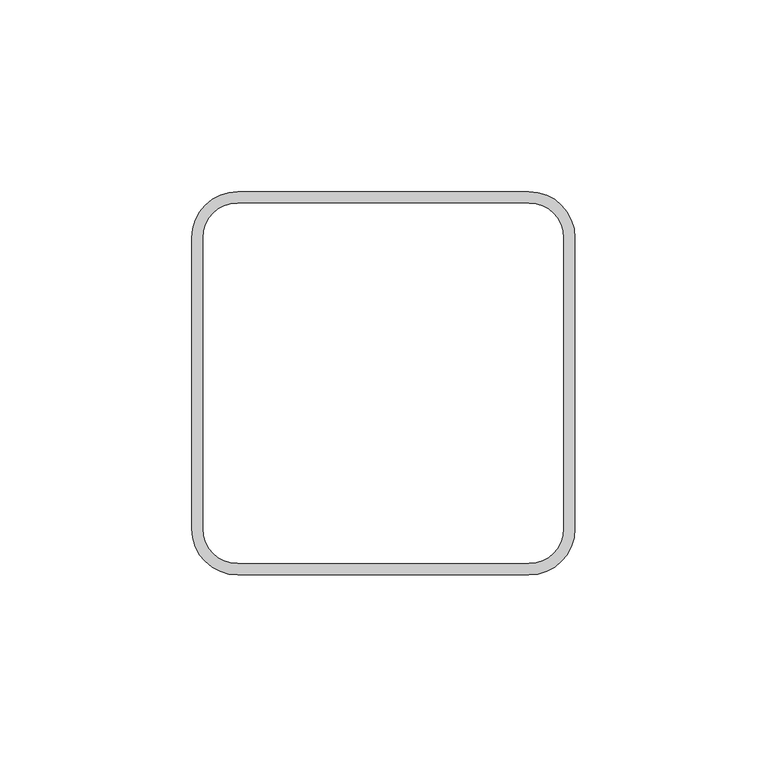
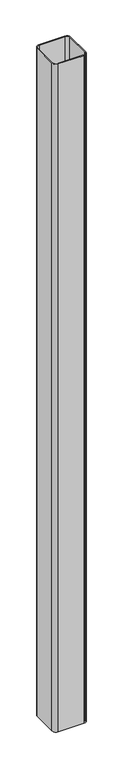
"""IFC4 building model written with IfcOpenShell, lengths in millimetres: column geometry."""

from ifc_helpers import new_model, si_unit, point, frame_2d, origin, origin_with_axes, place, context, project, spatial, polyline, circle_curve, trimmed, segment, composite_curve, outline, extrude, source, transform, mapped, element, save


def column_cc8b894e(model_context):
    return source(origin(), model_context, "Body", "SweptSolid", [
        extrude(outline(composite_curve([segment(polyline([(38.0, -50.0), (-38.0, -50.0)]), True, "CONTINUOUS"), segment(trimmed(circle_curve(frame_2d((-38.0, -38.0)), 12.0), [point((-38.0, -50.0))], [point((-50.0, -38.0))], False, "CARTESIAN"), True, "CONTINUOUS"), segment(polyline([(-50.0, -38.0), (-50.0, 38.0)]), True, "CONTINUOUS"), segment(trimmed(circle_curve(frame_2d((-38.0, 38.0)), 12.0), [point((-50.0, 38.0))], [point((-38.0, 50.0))], False, "CARTESIAN"), True, "CONTINUOUS"), segment(polyline([(-38.0, 50.0), (38.0, 50.0)]), True, "CONTINUOUS"), segment(trimmed(circle_curve(frame_2d((38.0, 38.0)), 12.0), [point((38.0, 50.0))], [point((50.0, 38.0))], False, "CARTESIAN"), True, "CONTINUOUS"), segment(polyline([(50.0, 38.0), (50.0, -38.0)]), True, "CONTINUOUS"), segment(trimmed(circle_curve(frame_2d((38.0, -38.0)), 12.0), [point((50.0, -38.0))], [point((38.0, -50.0))], False, "CARTESIAN"), True, "CONTINUOUS")], self_intersect=False), holes=[composite_curve([segment(trimmed(circle_curve(frame_2d((38.0, -38.0)), 9.0), [point((38.0, -47.0))], [point((47.0, -38.0))], True, "CARTESIAN"), True, "CONTINUOUS"), segment(polyline([(47.0, -38.0), (47.0, 38.0)]), True, "CONTINUOUS"), segment(trimmed(circle_curve(frame_2d((38.0, 38.0)), 9.0), [point((47.0, 38.0))], [point((38.0, 47.0))], True, "CARTESIAN"), True, "CONTINUOUS"), segment(polyline([(38.0, 47.0), (-38.0, 47.0)]), True, "CONTINUOUS"), segment(trimmed(circle_curve(frame_2d((-38.0, 38.0)), 9.0), [point((-38.0, 47.0))], [point((-47.0, 38.0))], True, "CARTESIAN"), True, "CONTINUOUS"), segment(polyline([(-47.0, 38.0), (-47.0, -38.0)]), True, "CONTINUOUS"), segment(trimmed(circle_curve(frame_2d((-38.0, -38.0)), 9.0), [point((-47.0, -38.0))], [point((-38.0, -47.0))], True, "CARTESIAN"), True, "CONTINUOUS"), segment(polyline([(-38.0, -47.0), (38.0, -47.0)]), True, "CONTINUOUS")], self_intersect=False)]), origin_with_axes(), (0.0, 0.0, 1.0), 2100.0),
    ])


if __name__ == "__main__":
    model = new_model("IFC4")
    model_context = context("Model", 3, world=origin())
    ifc_project = project(units=[si_unit("LENGTHUNIT", "METRE", prefix="MILLI")], contexts=[model_context])
    site = spatial("IfcSite", under=ifc_project)
    building = spatial("IfcBuilding", under=site)
    placement = place(None, origin())
    column_shape = column_cc8b894e(model_context)
    element("IfcColumn", 1, at=placement, inside=building, context=model_context, shape_type="MappedRepresentation", body=[
        mapped(column_shape, transform((0.0, 0.0, 0.0), x_axis=(1.0, 0.0, 0.0), y_axis=(0.0, 1.0, 0.0), z_axis=(0.0, 0.0, 1.0))),
    ])
    save(model, "model.ifc")
